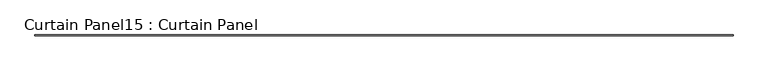
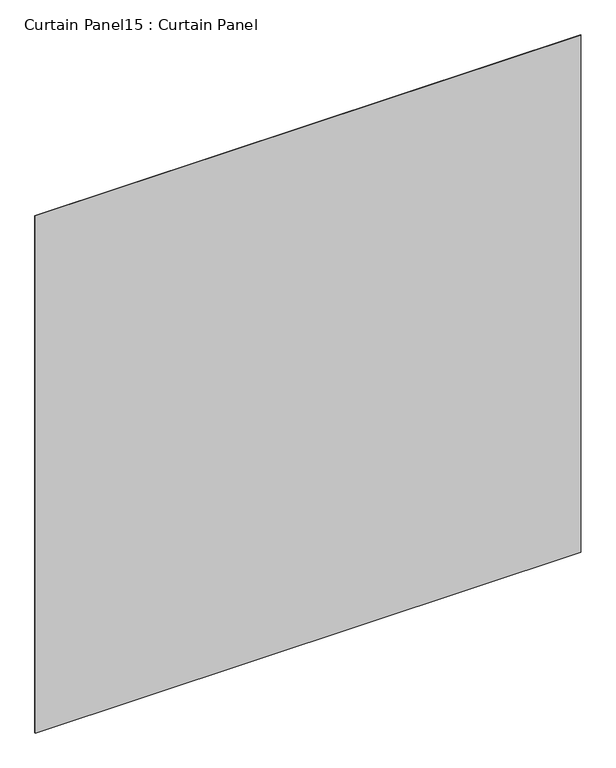
"""IFC4 building model written with IfcOpenShell, lengths in millimetres: plate geometry, Curtain Panel15 : Curtain Panel."""

from ifc_helpers import new_model, si_unit, frame, origin, place, context, project, spatial, polyline, outline, extrude, source, transform, mapped, element, save


def curtain_panel15_curtain_panel_48550283(model_context):
    return source(origin(), model_context, "Body", "SweptSolid", [
        extrude(outline(polyline([(471478.8113081, 2929.8761018), (465440.0565581, 2929.8761018), (465440.0565581, 2936.2261018), (471478.8113081, 2936.2261018), (471478.8113081, 2929.8761018)])), frame((0.0, 0.0, 9241.146484), z_axis=(0.0, 0.0, 1.0), x_axis=(1.0, 0.0, 0.0)), (0.0, 0.0, 1.0), 6049.6716124),
    ])


if __name__ == "__main__":
    model = new_model("IFC4")
    model_context = context("Model", 3, world=origin())
    ifc_project = project(units=[si_unit("LENGTHUNIT", "METRE", prefix="MILLI")], contexts=[model_context])
    site = spatial("IfcSite", under=ifc_project)
    building = spatial("IfcBuilding", under=site)
    placement = place(None, origin())
    curtain_panel15_curtain_panel_shape = curtain_panel15_curtain_panel_48550283(model_context)
    element("IfcPlate", 1, ObjectType="Curtain Panel15 : Curtain Panel", at=placement, inside=building, context=model_context, shape_type="MappedRepresentation", body=[
        mapped(curtain_panel15_curtain_panel_shape, transform((0.0, 0.0, 0.0), x_axis=(1.0, 0.0, 0.0), y_axis=(0.0, 1.0, 0.0), z_axis=(0.0, 0.0, 1.0))),
    ])
    save(model, "model.ifc")
